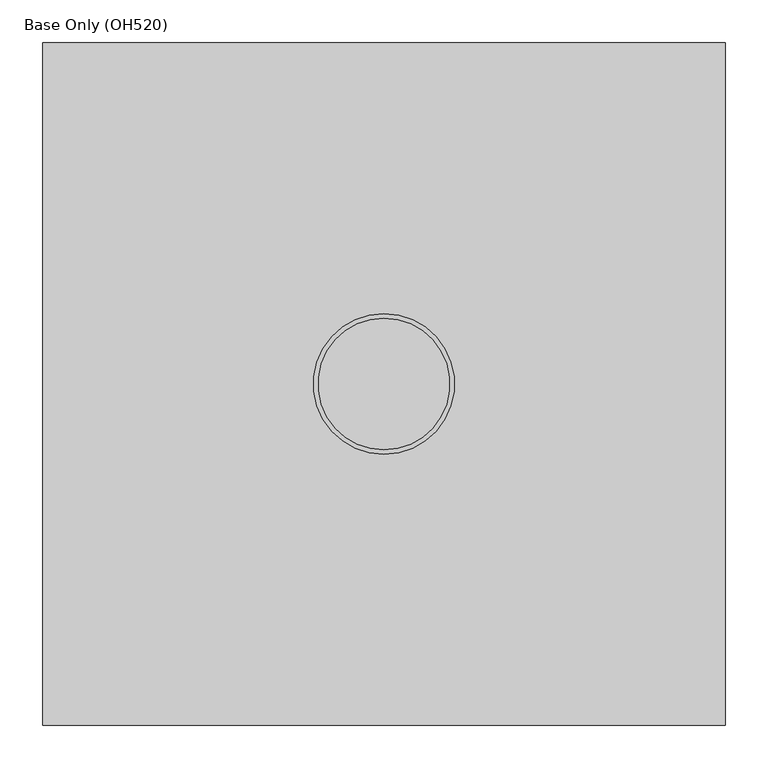
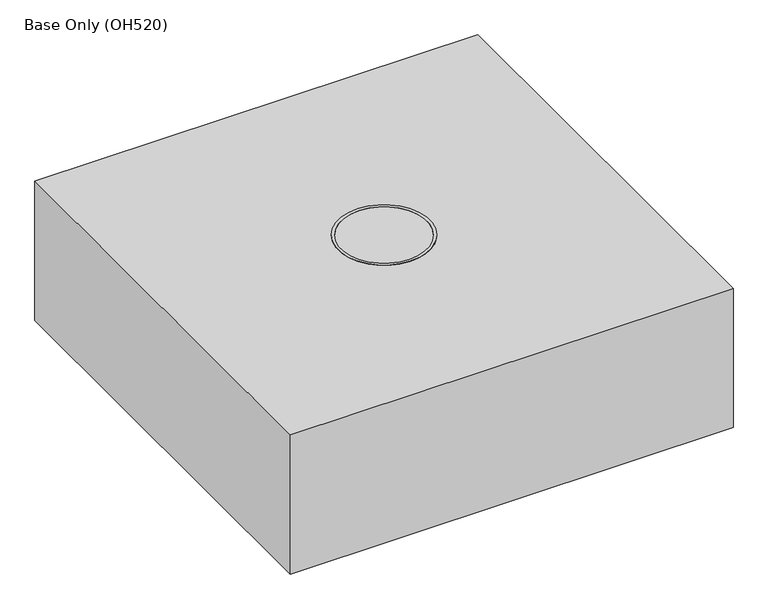
"""IFC4 building model written with IfcOpenShell, lengths in millimetres: proxy geometry, Base Only (OH520)."""

import ifcopenshell
import ifcopenshell.guid

model = None  # the IFC model being written
_history = None  # IfcOwnerHistory: only IFC2X3 demands one
_inside = {}  # id of a spatial element -> (the spatial element, [elements in it])
_under = {}  # id of a project, library or spatial element -> (it, [spatial elements below it])
_declared = {}  # id of a project -> (the project, [libraries it declares])
_typed = {}  # id of a type object -> (the type object, [elements of that type])
_made_of = {}  # id of a material, layer set ... -> (it, [elements and type objects made of it])


def new_model(schema):
    """Start an empty IFC model of exactly this schema.

    Asked for "IFC4X3", IfcOpenShell would pick the latest addendum, in which some entities
    have other attributes; the version numbers below select the first issue.
    IFC2X3 requires an IfcOwnerHistory on every rooted entity: one is made here for all.
    """
    global model, _history
    if schema == "IFC4X3":
        model = ifcopenshell.file(schema_version=(4, 3, 0, 0))
    else:
        model = ifcopenshell.file(schema=schema)
    _inside.clear()
    _under.clear()
    _declared.clear()
    _typed.clear()
    _made_of.clear()
    _history = None
    if model.schema == "IFC2X3":
        org = make("IfcOrganization", Name="unknown")
        user = make(
            "IfcPersonAndOrganization",
            ThePerson=make("IfcPerson", FamilyName="unknown"),
            TheOrganization=org,
        )
        app = make(
            "IfcApplication",
            ApplicationDeveloper=org,
            Version="unknown",
            ApplicationFullName="unknown",
            ApplicationIdentifier="unknown",
        )
        _history = make(
            "IfcOwnerHistory",
            OwningUser=user,
            OwningApplication=app,
            ChangeAction="ADDED",
            CreationDate=0,
        )
    return model


def make(cls, **values):
    """One entity of the class cls with the attributes given. An attribute that is None is left unset."""
    return model.create_entity(
        cls, **{name: value for name, value in values.items() if value is not None}
    )


def rooted(cls, **values):
    """An entity with a GlobalId (a new one), such as an element, a storey or a relation."""
    return make(cls, GlobalId=ifcopenshell.guid.new(), OwnerHistory=_history, **values)


def si_unit(unit_type, name, prefix=None):
    """IfcSIUnit, for example si_unit("LENGTHUNIT", "METRE", prefix="MILLI")."""
    return make("IfcSIUnit", UnitType=unit_type, Prefix=prefix, Name=name)


def assignment(units):
    """IfcUnitAssignment: the units of a project."""
    return None if units is None else make("IfcUnitAssignment", Units=units)


def point(xyz):
    """IfcCartesianPoint."""
    return None if xyz is None else make("IfcCartesianPoint", Coordinates=xyz)


def direction(xyz):
    """IfcDirection."""
    return None if xyz is None else make("IfcDirection", DirectionRatios=xyz)


def frame(location, z_axis=None, x_axis=None):
    """IfcAxis2Placement3D, a coordinate frame: its origin and axes. An axis left out is left unset."""
    return make(
        "IfcAxis2Placement3D",
        Location=point(location),
        Axis=direction(z_axis),
        RefDirection=direction(x_axis),
    )


def frame_2d(location, x_axis=None):
    """IfcAxis2Placement2D, a coordinate frame in the plane: its origin and x axis."""
    return make(
        "IfcAxis2Placement2D", Location=point(location), RefDirection=direction(x_axis)
    )


def origin():
    """The frame at (0, 0, 0) with its axes left unset."""
    return frame((0.0, 0.0, 0.0))


def origin_with_axes():
    """The frame at (0, 0, 0) with the z axis (0, 0, 1) and the x axis (1, 0, 0) written out."""
    return frame((0.0, 0.0, 0.0), z_axis=(0.0, 0.0, 1.0), x_axis=(1.0, 0.0, 0.0))


def place(relative_to, where):
    """IfcLocalPlacement: puts the frame where relative to a parent placement (None: the world)."""
    return make(
        "IfcLocalPlacement", PlacementRelTo=relative_to, RelativePlacement=where
    )


def context(
    kind, dimensions, precision=None, world=None, true_north=None, identifier=None
):
    """IfcGeometricRepresentationContext, for example the 3D "Model" context."""
    return make(
        "IfcGeometricRepresentationContext",
        ContextIdentifier=identifier,
        ContextType=kind,
        CoordinateSpaceDimension=dimensions,
        Precision=precision,
        WorldCoordinateSystem=world,
        TrueNorth=true_north,
    )


def project(units=None, contexts=None):
    """IfcProject with its units and contexts."""
    return rooted(
        "IfcProject",
        Name="project",
        RepresentationContexts=contexts,
        UnitsInContext=assignment(units),
    )


def spatial(cls, under=None, at=None, **own):
    """A site, building, storey or space (cls), placed at a placement, below another one or the project."""
    s = rooted(cls, ObjectPlacement=at, **own)
    if under is not None:
        _under.setdefault(under.id(), (under, []))[1].append(s)
    return s


def polyline(points):
    """IfcPolyline through the points."""
    return make("IfcPolyline", Points=[point(p) for p in points])


def circle_curve(where, radius):
    """IfcCircle in the frame where."""
    return make("IfcCircle", Position=where, Radius=radius)


def trimmed(basis, trim1, trim2, sense, master):
    """IfcTrimmedCurve: the piece of a basis curve between two trims."""
    return make(
        "IfcTrimmedCurve",
        BasisCurve=basis,
        Trim1=trim1,
        Trim2=trim2,
        SenseAgreement=sense,
        MasterRepresentation=master,
    )


def segment(curve, same_sense, transition):
    """IfcCompositeCurveSegment."""
    return make(
        "IfcCompositeCurveSegment",
        Transition=transition,
        SameSense=same_sense,
        ParentCurve=curve,
    )


def composite_curve(segments, self_intersect=None):
    """IfcCompositeCurve: segments joined end to end."""
    return make("IfcCompositeCurve", Segments=segments, SelfIntersect=self_intersect)


def outline(outer, holes=None, kind="AREA"):
    """IfcArbitraryClosedProfileDef: a profile drawn as a closed curve; with holes, ...WithVoids."""
    if holes is None:
        return make("IfcArbitraryClosedProfileDef", ProfileType=kind, OuterCurve=outer)
    return make(
        "IfcArbitraryProfileDefWithVoids",
        ProfileType=kind,
        OuterCurve=outer,
        InnerCurves=holes,
    )


def extrude(swept, where, along, depth):
    """IfcExtrudedAreaSolid: the profile swept, set in the frame where, extruded along a direction by depth."""
    return make(
        "IfcExtrudedAreaSolid",
        SweptArea=swept,
        Position=where,
        ExtrudedDirection=direction(along),
        Depth=depth,
    )


def shape(context_of_items, identifier, shape_type, items):
    """IfcShapeRepresentation: the items that make up one representation, for example the "Body"."""
    return make(
        "IfcShapeRepresentation",
        ContextOfItems=context_of_items,
        RepresentationIdentifier=identifier,
        RepresentationType=shape_type,
        Items=items,
    )


def source(mapping_origin, context_of_items, identifier, shape_type, items):
    """IfcRepresentationMap: a shape defined once, which mapped items show again and again."""
    return make(
        "IfcRepresentationMap",
        MappingOrigin=mapping_origin,
        MappedRepresentation=shape(context_of_items, identifier, shape_type, items),
    )


def transform(
    local_origin,
    x_axis=None,
    y_axis=None,
    z_axis=None,
    scale=None,
    scale2=None,
    scale3=None,
    uniform=True,
):
    """IfcCartesianTransformationOperator3D, or its non-uniform kind. x_axis, y_axis, z_axis: its Axis1, 2, 3."""
    if uniform:
        return make(
            "IfcCartesianTransformationOperator3D",
            Axis1=direction(x_axis),
            Axis2=direction(y_axis),
            LocalOrigin=point(local_origin),
            Scale=scale,
            Axis3=direction(z_axis),
        )
    return make(
        "IfcCartesianTransformationOperator3DnonUniform",
        Axis1=direction(x_axis),
        Axis2=direction(y_axis),
        LocalOrigin=point(local_origin),
        Scale=scale,
        Axis3=direction(z_axis),
        Scale2=scale2,
        Scale3=scale3,
    )


def mapped(mapping_source, mapping_target):
    """IfcMappedItem: shows the shape of a source again, moved by a transform."""
    return make(
        "IfcMappedItem", MappingSource=mapping_source, MappingTarget=mapping_target
    )


def made_of(thing, what):
    """Note that an element or type object is made of a material, layer set ...; save() writes the relation."""
    if what is not None:
        _made_of.setdefault(what.id(), (what, []))[1].append(thing)
    return thing


def element(
    cls,
    number,
    at=None,
    inside=None,
    cuts=None,
    type_object=None,
    material=None,
    context=None,
    identifier="Body",
    shape_type=None,
    held_by="IfcProductDefinitionShape",
    body=None,
    shapes=None,
    **own,
):
    """One element of the class cls, such as IfcWall. Its Tag is "e" and its number.

    at: its placement. inside: the storey or other place that contains it. cuts: it is an
    opening in that element (IfcRelVoidsElement). A single representation is given by context,
    identifier, shape_type and body (its items); several are given by shapes. held_by: the class
    of the entity that holds the representations. save() writes the other relations.
    """
    e = rooted(cls, Tag="e%d" % number, ObjectPlacement=at, **own)
    if body is not None:
        shapes = [shape(context, identifier, shape_type, body)]
    if shapes is not None:
        e.Representation = make(held_by, Representations=shapes)
    if inside is not None:
        _inside.setdefault(inside.id(), (inside, []))[1].append(e)
    if cuts is not None:
        rooted(
            "IfcRelVoidsElement", RelatingBuildingElement=cuts, RelatedOpeningElement=e
        )
    if type_object is not None:
        _typed.setdefault(type_object.id(), (type_object, []))[1].append(e)
    return made_of(e, material)


def aggregate(whole, parts):
    """IfcRelAggregates: a whole, such as a stair, and the parts it consists of."""
    return rooted("IfcRelAggregates", RelatingObject=whole, RelatedObjects=parts)


def save(model, path):
    """Write the relations noted so far, then the file.

    IfcRelAggregates (storeys below a building ...), IfcRelContainedInSpatialStructure (elements
    in a storey), IfcRelDefinesByType, IfcRelAssociatesMaterial and IfcRelDeclares: one each for
    every whole, place, type object, material and project.
    """
    for whole, parts in _under.values():
        aggregate(whole, parts)
    for where, things in _inside.values():
        rooted(
            "IfcRelContainedInSpatialStructure",
            RelatedElements=things,
            RelatingStructure=where,
        )
    for kind, things in _typed.values():
        rooted("IfcRelDefinesByType", RelatedObjects=things, RelatingType=kind)
    for what, things in _made_of.values():
        rooted("IfcRelAssociatesMaterial", RelatedObjects=things, RelatingMaterial=what)
    for by, libraries in _declared.values():
        rooted("IfcRelDeclares", RelatingContext=by, RelatedDefinitions=libraries)
    model.write(path)


def plane_surface(at):
    """IfcPlane: the flat surface through the origin of the frame at, square to its z axis."""
    return make("IfcPlane", Position=at)


def cylinder_surface(at, radius):
    """IfcCylindricalSurface: all points at the distance radius from the z axis of the frame at."""
    return make("IfcCylindricalSurface", Position=at, Radius=radius)


def revolved_surface(curve, axis_point, axis_direction):
    """IfcSurfaceOfRevolution: the curve turned about the line through axis_point along axis_direction."""
    return make(
        "IfcSurfaceOfRevolution",
        SweptCurve=make("IfcArbitraryOpenProfileDef", ProfileType="CURVE", Curve=curve),
        AxisPosition=make("IfcAxis1Placement", Location=point(axis_point), Axis=direction(axis_direction)),
    )


def advanced_brep(points, edges, surfaces, faces):
    """IfcAdvancedBrep: a solid bounded by faces that lie on surfaces and meet in shared edges.

    An edge is (start, end): straight between two places in points (the first is 0);
    or (start, end, curve); or (start, end, curve, False) where it runs against its curve.
    A face is (place in surfaces, loops), or (place, loops, False) where it looks against
    its surface's normal. A loop lists edges by number (the first is 1), with a minus sign
    where the edge is run from its end to its start. The first loop is the outer one.
    """
    corners = [point(p) for p in points]
    vertices = [make("IfcVertexPoint", VertexGeometry=c) for c in corners]
    made = []
    for start, end, *more in edges:
        made.append(
            make(
                "IfcEdgeCurve",
                EdgeStart=vertices[start],
                EdgeEnd=vertices[end],
                EdgeGeometry=more[0] if more else make("IfcPolyline", Points=[corners[start], corners[end]]),
                SameSense=more[1] if len(more) > 1 else True,
            )
        )
    hull = []
    for where, loops, *sense in faces:
        bounds = []
        for j, loop in enumerate(loops):
            ring = [make("IfcOrientedEdge", EdgeElement=made[abs(k) - 1], Orientation=k > 0) for k in loop]
            bounds.append(
                make(
                    "IfcFaceOuterBound" if j == 0 else "IfcFaceBound",
                    Bound=make("IfcEdgeLoop", EdgeList=ring),
                    Orientation=True,
                )
            )
        hull.append(make("IfcAdvancedFace", Bounds=bounds, FaceSurface=surfaces[where], SameSense=sense[0] if sense else True))
    return make("IfcAdvancedBrep", Outer=make("IfcClosedShell", CfsFaces=hull))


def base_only_oh520_e2e86bc6(model_context):
    return source(origin(), model_context, "Body", "SolidModel", [
        advanced_brep(
        [(-192.5, -6.0, 16.0), (-192.5, 6.0, 16.0), (-82.3316616, 6.0, 16.0), (-6.0, 82.3316616, 16.0), (-6.0, 192.7683384, 16.0), (6.0, 192.7683384, 16.0), (6.0, 82.3316616, 16.0), (82.3316616, 6.0, 16.0), (192.5, 6.0, 16.0), (192.5, -6.0, 16.0), (82.3316616, -6.0, 16.0), (6.0, -82.3316616, 16.0), (6.0, -192.7683384, 16.0), (-6.0, -192.7683384, 16.0), (-6.0, -82.3316616, 16.0), (-82.3316616, -6.0, 16.0), (0.0, 77.15, 16.0), (0.0, -77.15, 16.0), (0.0, 82.55, 266.0), (0.0, -82.55, 266.0), (0.0, 77.15, 266.0), (0.0, -77.15, 266.0), (0.0, 82.55, 216.0), (-6.0, 82.3316616, 216.0), (-82.3316616, 6.0, 216.0), (-82.55, 0.0, 216.0), (-82.3316616, -6.0, 216.0), (-6.0, -82.3316616, 216.0), (0.0, -82.55, 216.0), (6.0, -82.3316616, 216.0), (82.3316616, -6.0, 216.0), (82.55, 0.0, 216.0), (82.3316616, 6.0, 216.0), (6.0, 82.3316616, 216.0), (-82.55, -6.0, 216.0), (82.55, -6.0, 216.0), (-82.55, 6.0, 216.0), (82.55, 6.0, 216.0), (6.0, 192.7683384, 108.2113255), (6.0, 149.7269935, 157.724729), (6.0, 134.968539, 159.7988945), (6.0, 102.2601853, 181.8609576), (6.0, 82.55, 216.0), (6.0, 132.0, 116.0), (6.0, 172.0, 116.0), (6.0, -82.55, 216.0), (6.0, -102.2601853, 181.8609576), (6.0, -134.968539, 159.7988945), (6.0, -149.7269935, 157.724729), (6.0, -192.7683384, 108.2113255), (6.0, -172.0, 116.0), (6.0, -132.0, 116.0), (-6.0, 82.55, 216.0), (-6.0, 102.2601853, 181.8609576), (-6.0, 134.968539, 159.7988945), (-6.0, 149.7269935, 157.724729), (-6.0, 192.7683384, 108.2113255), (-6.0, 132.0, 116.0), (-6.0, 172.0, 116.0), (-6.0, -192.7683384, 108.2113255), (-6.0, -149.7269935, 157.724729), (-6.0, -134.968539, 159.7988945), (-6.0, -102.2601853, 181.8609576), (-6.0, -82.55, 216.0), (-6.0, -172.0, 116.0), (-6.0, -132.0, 116.0)],
        [
            (0, 1),
            (1, 2),
            (2, 3, circle_curve(frame((0.0, 0.0, 16.0), z_axis=(0.0, 0.0, -1.0), x_axis=(0.0, -1.0, 0.0)), 82.55)),
            (3, 4),
            (4, 5),
            (5, 6),
            (6, 7, circle_curve(frame((0.0, 0.0, 16.0), z_axis=(0.0, 0.0, -1.0), x_axis=(0.0, -1.0, 0.0)), 82.55)),
            (7, 8),
            (8, 9),
            (9, 10),
            (10, 11, circle_curve(frame((0.0, 0.0, 16.0), z_axis=(0.0, 0.0, -1.0), x_axis=(0.0, -1.0, 0.0)), 82.55)),
            (11, 12),
            (12, 13),
            (13, 14),
            (14, 15, circle_curve(frame((0.0, 0.0, 16.0), z_axis=(0.0, 0.0, -1.0), x_axis=(0.0, -1.0, 0.0)), 82.55)),
            (15, 0),
            (16, 17, circle_curve(frame((0.0, 0.0, 16.0), z_axis=(0.0, 0.0, 1.0), x_axis=(0.0, -1.0, 0.0)), 77.15)),
            (17, 16, circle_curve(frame((0.0, 0.0, 16.0), z_axis=(0.0, 0.0, 1.0), x_axis=(0.0, -1.0, 0.0)), 77.15)),
            (18, 19, circle_curve(frame((0.0, 0.0, 266.0), z_axis=(0.0, 0.0, 1.0), x_axis=(0.0, -1.0, 0.0)), 82.55)),
            (19, 18, circle_curve(frame((0.0, 0.0, 266.0), z_axis=(0.0, 0.0, 1.0), x_axis=(0.0, -1.0, 0.0)), 82.55)),
            (20, 21, circle_curve(frame((0.0, 0.0, 266.0), z_axis=(0.0, 0.0, -1.0), x_axis=(0.0, -1.0, 0.0)), 77.15)),
            (21, 20, circle_curve(frame((0.0, 0.0, 266.0), z_axis=(0.0, 0.0, -1.0), x_axis=(0.0, -1.0, 0.0)), 77.15)),
            (17, 21),
            (20, 16),
            (18, 22),
            (22, 23, circle_curve(frame((0.0, 0.0, 216.0), z_axis=(0.0, 0.0, 1.0), x_axis=(0.0, -1.0, 0.0)), 82.55)),
            (23, 3),
            (2, 24),
            (24, 25, circle_curve(frame((0.0, 0.0, 216.0), z_axis=(0.0, 0.0, 1.0), x_axis=(0.0, -1.0, 0.0)), 82.55)),
            (25, 26, circle_curve(frame((0.0, 0.0, 216.0), z_axis=(0.0, 0.0, 1.0), x_axis=(0.0, -1.0, 0.0)), 82.55)),
            (26, 15),
            (14, 27),
            (27, 28, circle_curve(frame((0.0, 0.0, 216.0), z_axis=(0.0, 0.0, 1.0), x_axis=(0.0, -1.0, 0.0)), 82.55)),
            (28, 19),
            (28, 29, circle_curve(frame((0.0, 0.0, 216.0), z_axis=(0.0, 0.0, 1.0), x_axis=(0.0, -1.0, 0.0)), 82.55)),
            (29, 11),
            (10, 30),
            (30, 31, circle_curve(frame((0.0, 0.0, 216.0), z_axis=(0.0, 0.0, 1.0), x_axis=(0.0, -1.0, 0.0)), 82.55)),
            (31, 32, circle_curve(frame((0.0, 0.0, 216.0), z_axis=(0.0, 0.0, 1.0), x_axis=(0.0, -1.0, 0.0)), 82.55)),
            (32, 7),
            (6, 33),
            (33, 22, circle_curve(frame((0.0, 0.0, 216.0), z_axis=(0.0, 0.0, 1.0), x_axis=(0.0, -1.0, 0.0)), 82.55)),
            (34, 0),
            (26, 34),
            (9, 35),
            (35, 30),
            (1, 36),
            (36, 24),
            (37, 8),
            (32, 37),
            (25, 34),
            (36, 25),
            (37, 31),
            (31, 35),
            (5, 38),
            (38, 39, circle_curve(frame((6.0, 142.7683384, 108.2113255), z_axis=(1.0, 0.0, 0.0), x_axis=(0.0, 1.0, 0.0)), 50.0)),
            (39, 40),
            (40, 41, circle_curve(frame((6.0, 141.2313285, 204.3609576), z_axis=(-1.0, 0.0, 0.0), x_axis=(0.0, 1.0, 0.0)), 45.0)),
            (41, 42),
            (42, 33),
            (43, 44, circle_curve(frame((6.0, 152.0, 116.0), z_axis=(-1.0, 0.0, 0.0), x_axis=(0.0, 1.0, 0.0)), 20.0)),
            (44, 43, circle_curve(frame((6.0, 152.0, 116.0), z_axis=(-1.0, 0.0, 0.0), x_axis=(0.0, 1.0, 0.0)), 20.0)),
            (45, 46),
            (46, 47, circle_curve(frame((6.0, -141.2313285, 204.3609576), z_axis=(-1.0, 0.0, 0.0), x_axis=(0.0, 1.0, 0.0)), 45.0)),
            (47, 48),
            (48, 49, circle_curve(frame((6.0, -142.7683384, 108.2113255), z_axis=(1.0, 0.0, 0.0), x_axis=(0.0, 1.0, 0.0)), 50.0)),
            (49, 12),
            (29, 45),
            (50, 51, circle_curve(frame((6.0, -152.0, 116.0), z_axis=(-1.0, 0.0, 0.0), x_axis=(0.0, 1.0, 0.0)), 20.0)),
            (51, 50, circle_curve(frame((6.0, -152.0, 116.0), z_axis=(-1.0, 0.0, 0.0), x_axis=(0.0, 1.0, 0.0)), 20.0)),
            (52, 53),
            (53, 54, circle_curve(frame((-6.0, 141.2313285, 204.3609576), z_axis=(1.0, 0.0, 0.0), x_axis=(0.0, 1.0, 0.0)), 45.0)),
            (54, 55),
            (55, 56, circle_curve(frame((-6.0, 142.7683384, 108.2113255), z_axis=(-1.0, 0.0, 0.0), x_axis=(0.0, 1.0, 0.0)), 50.0)),
            (56, 4),
            (23, 52),
            (57, 58, circle_curve(frame((-6.0, 152.0, 116.0), z_axis=(1.0, 0.0, 0.0), x_axis=(0.0, 1.0, 0.0)), 20.0)),
            (58, 57, circle_curve(frame((-6.0, 152.0, 116.0), z_axis=(1.0, 0.0, 0.0), x_axis=(0.0, 1.0, 0.0)), 20.0)),
            (13, 59),
            (59, 60, circle_curve(frame((-6.0, -142.7683384, 108.2113255), z_axis=(-1.0, 0.0, 0.0), x_axis=(0.0, 1.0, 0.0)), 50.0)),
            (60, 61),
            (61, 62, circle_curve(frame((-6.0, -141.2313285, 204.3609576), z_axis=(1.0, 0.0, 0.0), x_axis=(0.0, 1.0, 0.0)), 45.0)),
            (62, 63),
            (63, 27),
            (64, 65, circle_curve(frame((-6.0, -152.0, 116.0), z_axis=(1.0, 0.0, 0.0), x_axis=(0.0, 1.0, 0.0)), 20.0)),
            (65, 64, circle_curve(frame((-6.0, -152.0, 116.0), z_axis=(1.0, 0.0, 0.0), x_axis=(0.0, 1.0, 0.0)), 20.0)),
            (42, 22),
            (22, 52),
            (56, 38),
            (55, 39),
            (54, 40),
            (53, 41),
            (63, 28),
            (28, 45),
            (62, 46),
            (61, 47),
            (60, 48),
            (59, 49),
            (50, 64),
            (65, 51),
            (43, 57),
            (58, 44),
        ],
        [
            plane_surface(frame((0.0, -77.15, 16.0), z_axis=(0.0, 0.0, -1.0), x_axis=(1.0, 0.0, 0.0))),
            plane_surface(frame((0.0, -77.15, 266.0), z_axis=(0.0, 0.0, 1.0), x_axis=(-1.0, 0.0, 0.0))),
            revolved_surface(polyline([(0.0, -77.15, 16.0), (0.0, -77.15, 266.0)]), (0.0, 0.0, 16.0), (0.0, 0.0, -1.0)),
            cylinder_surface(frame((0.0, 0.0, 0.0), z_axis=(0.0, 0.0, 1.0), x_axis=(0.0, -1.0, 0.0)), 82.55),
            plane_surface(frame((-192.5, -6.0, 16.0), z_axis=(0.0, -1.0, 0.0), x_axis=(1.0, 0.0, 0.0))),
            plane_surface(frame((-192.5, 6.0, 16.0), z_axis=(0.0, 1.0, 0.0), x_axis=(-1.0, 0.0, 0.0))),
            plane_surface(frame((-79.5772837, -6.0, 216.0), z_axis=(0.0, 0.0, 1.0), x_axis=(0.0, 1.0, 0.0))),
            plane_surface(frame((-82.55, -6.0, 216.0), z_axis=(-0.8763084010975734, 0.0, 0.481750543503393), x_axis=(0.0, 1.0, 0.0))),
            plane_surface(frame((192.5, -6.0, 16.0), z_axis=(0.8763084010975716, 0.0, 0.4817505435033964), x_axis=(0.0, 1.0, 0.0))),
            plane_surface(frame((82.55, -6.0, 216.0), z_axis=(0.0, 0.0, 1.0), x_axis=(0.0, 1.0, 0.0))),
            plane_surface(frame((6.0, 192.7683384, 16.0), z_axis=(1.0, 0.0, 0.0), x_axis=(0.0, 1.0, 0.0))),
            plane_surface(frame((-6.0, 192.7683384, 16.0), z_axis=(-1.0, 0.0, 0.0), x_axis=(0.0, -1.0, 0.0))),
            plane_surface(frame((6.0, 82.55, 216.0), z_axis=(0.0, 0.0, 1.0), x_axis=(-1.0, 0.0, 0.0))),
            plane_surface(frame((6.0, 192.7683384, 16.0), z_axis=(0.0, 1.0, 0.0), x_axis=(-1.0, 0.0, 0.0))),
            cylinder_surface(frame((-6.0, 142.7683384, 108.2113255), z_axis=(1.0, 0.0, 0.0), x_axis=(0.0, 1.0, 0.0)), 50.0),
            plane_surface(frame((6.0, 149.7269935, 157.724729), z_axis=(0.0, 0.13917310096009278, 0.9902680687415665), x_axis=(-1.0, 0.0, 0.0))),
            revolved_surface(polyline([(-6.0, 186.2313285, 204.3609576), (6.0, 186.2313285, 204.3609576)]), (-6.0, 141.2313285, 204.3609576), (-1.0, 0.0, 0.0)),
            plane_surface(frame((6.0, 102.2601853, 181.8609576), z_axis=(0.0, 0.8660254037844278, 0.5000000000000189), x_axis=(-1.0, 0.0, 0.0))),
            plane_surface(frame((6.0, -79.5772837, 216.0), z_axis=(0.0, 0.0, 1.0), x_axis=(-1.0, 0.0, 0.0))),
            plane_surface(frame((6.0, -82.55, 216.0), z_axis=(0.0, -0.8660254037844299, 0.5000000000000153), x_axis=(-1.0, 0.0, 0.0))),
            revolved_surface(polyline([(-6.0, -96.23132849999999, 204.3609576), (6.0, -96.23132849999999, 204.3609576)]), (0.0, -141.2313285, 204.3609576), (-1.0, 0.0, 0.0)),
            plane_surface(frame((6.0, -134.968539, 159.7988945), z_axis=(0.0, -0.1391731009601339, 0.9902680687415607), x_axis=(-1.0, 0.0, 0.0))),
            cylinder_surface(frame((0.0, -142.7683384, 108.2113255), z_axis=(1.0, 0.0, 0.0), x_axis=(0.0, 1.0, 0.0)), 50.0),
            plane_surface(frame((6.0, -192.7683384, 108.2113255), z_axis=(0.0, -1.0, 0.0), x_axis=(-1.0, 0.0, 0.0))),
            revolved_surface(polyline([(-6.0, -132.0, 116.0), (6.0, -132.0, 116.0)]), (0.0, -152.0, 116.0), (-1.0, 0.0, 0.0)),
            revolved_surface(polyline([(-6.0, 172.0, 116.0), (6.0, 172.0, 116.0)]), (0.0, 152.0, 116.0), (-1.0, 0.0, 0.0)),
        ],
        [
            (0, [[1, 2, 3, 4, 5, 6, 7, 8, 9, 10, 11, 12, 13, 14, 15, 16], [17, 18]]),
            (1, [[19, 20], [21, 22]]),
            (2, [[-18, 23, -21, 24]]),
            (2, [[-17, -24, -22, -23]]),
            (3, [[-19, 25, 26, 27, -3, 28, 29, 30, 31, -15, 32, 33, 34]]),
            (3, [[-20, -34, 35, 36, -11, 37, 38, 39, 40, -7, 41, 42, -25]]),
            (4, [[43, -16, -31, 44]]),
            (4, [[45, 46, -37, -10]]),
            (5, [[47, 48, -28, -2]]),
            (5, [[49, -8, -40, 50]]),
            (6, [[-44, -30, 51]]),
            (6, [[-48, 52, -29]]),
            (7, [[-43, -51, -52, -47, -1]]),
            (8, [[-45, -9, -49, 53, 54]]),
            (9, [[-46, -54, -38]]),
            (9, [[-50, -39, -53]]),
            (10, [[55, 56, 57, 58, 59, 60, -41, -6], [61, 62]]),
            (10, [[63, 64, 65, 66, 67, -12, -36, 68], [69, 70]]),
            (11, [[71, 72, 73, 74, 75, -4, -27, 76], [77, 78]]),
            (11, [[79, 80, 81, 82, 83, 84, -32, -14], [85, 86]]),
            (12, [[87, -42, -60]]),
            (12, [[88, -76, -26]]),
            (13, [[-55, -5, -75, 89]]),
            (14, [[-56, -89, -74, 90]]),
            (15, [[-57, -90, -73, 91]]),
            (16, [[-58, -91, -72, 92]]),
            (17, [[-59, -92, -71, -88, -87]]),
            (18, [[93, -33, -84]]),
            (18, [[94, -68, -35]]),
            (19, [[-63, -94, -93, -83, 95]]),
            (20, [[-64, -95, -82, 96]]),
            (21, [[-65, -96, -81, 97]]),
            (22, [[-66, -97, -80, 98]]),
            (23, [[-67, -98, -79, -13]]),
            (24, [[-69, 99, -86, 100]]),
            (24, [[-70, -100, -85, -99]]),
            (25, [[-61, 101, -78, 102]]),
            (25, [[-62, -102, -77, -101]]),
        ],
    ),
        extrude(outline(composite_curve([segment(trimmed(circle_curve(frame_2d((180.0, 180.0)), 20.0), [point((180.0, 200.0))], [point((200.0, 180.0))], False, "CARTESIAN"), True, "CONTINUOUS"), segment(polyline([(200.0, 180.0), (200.0, -180.0)]), True, "CONTINUOUS"), segment(trimmed(circle_curve(frame_2d((180.0, -180.0)), 20.0), [point((200.0, -180.0))], [point((180.0, -200.0))], False, "CARTESIAN"), True, "CONTINUOUS"), segment(polyline([(180.0, -200.0), (-180.0, -200.0)]), True, "CONTINUOUS"), segment(trimmed(circle_curve(frame_2d((-180.0, -180.0)), 20.0), [point((-180.0, -200.0))], [point((-200.0, -180.0))], False, "CARTESIAN"), True, "CONTINUOUS"), segment(polyline([(-200.0, -180.0), (-200.0, 180.0)]), True, "CONTINUOUS"), segment(trimmed(circle_curve(frame_2d((-180.0, 180.0)), 20.0), [point((-200.0, 180.0))], [point((-180.0, 200.0))], False, "CARTESIAN"), True, "CONTINUOUS"), segment(polyline([(-180.0, 200.0), (180.0, 200.0)]), True, "CONTINUOUS")], self_intersect=False)), origin_with_axes(), (0.0, 0.0, 1.0), 16.0),
        extrude(outline(polyline([(400.0, 400.0), (400.0, -400.0), (-400.0, -400.0), (-400.0, 400.0), (400.0, 400.0)])), origin_with_axes(), (0.0, 0.0, 1.0), 266.0),
    ])


if __name__ == "__main__":
    model = new_model("IFC4")
    model_context = context("Model", 3, world=origin())
    ifc_project = project(units=[si_unit("LENGTHUNIT", "METRE", prefix="MILLI")], contexts=[model_context])
    site = spatial("IfcSite", under=ifc_project)
    building = spatial("IfcBuilding", under=site)
    placement = place(None, origin())
    base_only_oh520_shape = base_only_oh520_e2e86bc6(model_context)
    element("IfcBuildingElementProxy", 1, Name="Base Only (OH520)", ObjectType="Base Only (OH520)", at=placement, inside=building, context=model_context, shape_type="MappedRepresentation", body=[
        mapped(base_only_oh520_shape, transform((0.0, 0.0, 0.0), x_axis=(1.0, 0.0, 0.0), y_axis=(0.0, 1.0, 0.0), z_axis=(0.0, 0.0, 1.0))),
    ])
    save(model, "model.ifc")
